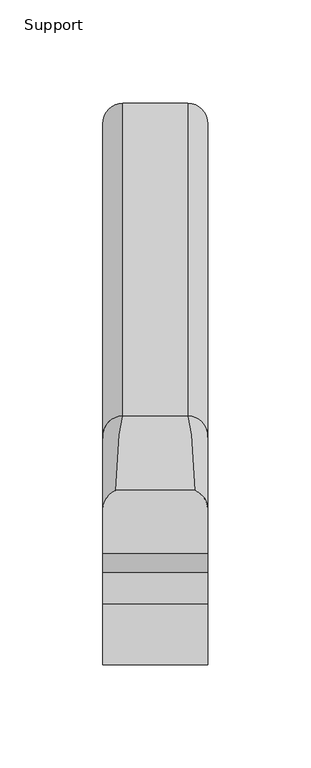
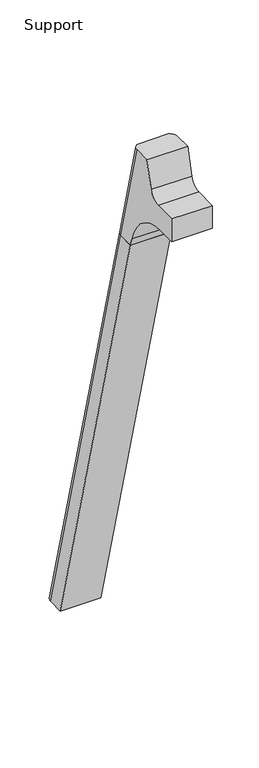
"""IFC4 building model written with IfcOpenShell, lengths in millimetres: furniture geometry, Support."""

from ifc_helpers import new_model, si_unit, frame, origin, place, context, project, spatial, polyline, circle_curve, ellipse_curve, source, transform, mapped, element, save
from ifc_brep_helpers import plane_surface, cylinder_surface, revolved_surface, advanced_brep


def support_90966090(model_context):
    return source(origin(), model_context, "Body", "AdvancedBrep", [
        advanced_brep(
        [(190.5, 253.7748053, 711.2), (190.5, 275.2413517, 711.2), (190.5, 310.6899953, 576.6820411), (190.5, 289.5860254, 576.6820411), (190.5, 287.0278133, 586.2294189), (190.5, 222.6247088, 635.6476591), (190.5, 199.7534766, 635.6476591), (190.5, 199.7534766, 665.6284599), (190.5, 229.382632, 665.6284599), (190.5, 244.7167045, 677.3947076), (241.3, 289.5860254, 576.6820411), (241.3, 310.6899953, 576.6820411), (241.3, 275.2413517, 711.2), (241.3, 253.7748053, 711.2), (241.3, 244.7167045, 677.3947076), (241.3, 229.382632, 665.6284599), (241.3, 199.7534766, 665.6284599), (241.3, 199.7534766, 635.6476591), (241.3, 222.6247088, 635.6476591), (241.3, 287.0278133, 586.2294189), (235.0361838, 284.4961962, 711.2), (196.7638162, 284.4961962, 711.2), (200.025, 320.5401747, 576.6820411), (231.775, 320.5401747, 576.6820411)],
        [
            (0, 1),
            (1, 2),
            (2, 3),
            (3, 4),
            (4, 5, circle_curve(frame((190.5, 222.6247088, 568.9726591), z_axis=(1.0, 0.0, 0.0), x_axis=(0.0, 1.0, 0.0)), 66.675)),
            (5, 6),
            (6, 7),
            (7, 8),
            (8, 9, circle_curve(frame((190.5, 229.382632, 681.5034599), z_axis=(1.0, 0.0, 0.0), x_axis=(0.0, 1.0, 0.0)), 15.875)),
            (9, 0),
            (10, 11),
            (11, 12),
            (12, 13),
            (13, 14),
            (14, 15, circle_curve(frame((241.3, 229.382632, 681.5034599), z_axis=(-1.0, 0.0, 0.0), x_axis=(0.0, 1.0, 0.0)), 15.875)),
            (15, 16),
            (16, 17),
            (17, 18),
            (18, 19, circle_curve(frame((241.3, 222.6247088, 568.9726591), z_axis=(-1.0, 0.0, 0.0), x_axis=(0.0, 1.0, 0.0)), 66.675)),
            (19, 10),
            (12, 20, ellipse_curve(frame((231.775, 275.2413517, 711.2), z_axis=(0.0, 0.0, 1.0), x_axis=(0.0, 1.0, 0.0)), 9.8501793, 9.525)),
            (20, 21),
            (21, 1, ellipse_curve(frame((200.025, 275.2413517, 711.2), z_axis=(0.0, 0.0, 1.0), x_axis=(0.0, 1.0, 0.0)), 9.8501793, 9.525)),
            (0, 13),
            (9, 14),
            (8, 15),
            (7, 16),
            (6, 17),
            (5, 18),
            (4, 19),
            (3, 10),
            (2, 22, ellipse_curve(frame((200.025, 310.6899953, 576.6820411), z_axis=(0.0, 0.0, -1.0), x_axis=(0.0, 1.0, 0.0)), 9.8501793, 9.525)),
            (22, 23),
            (23, 11, ellipse_curve(frame((231.775, 310.6899953, 576.6820411), z_axis=(0.0, 0.0, -1.0), x_axis=(0.0, 1.0, 0.0)), 9.8501793, 9.525)),
            (20, 23, ellipse_curve(frame((231.775, -275.8295394, 2802.3641142), z_axis=(0.0, 0.9659258262890684, 0.2588190451025206), x_axis=(0.0, 0.2588190451025206, -0.9659258262890684)), 2304.1956354, 9.525)),
            (22, 21, ellipse_curve(frame((200.025, -275.8295394, 2802.3641142), z_axis=(0.0, 0.9659258262890684, 0.2588190451025206), x_axis=(0.0, 0.2588190451025206, -0.9659258262890684)), 2304.1956354, 9.525)),
        ],
        [
            plane_surface(frame((190.5, 284.4961962, 711.2), z_axis=(-1.0, 0.0, 0.0), x_axis=(0.0, -1.0, 0.0))),
            plane_surface(frame((241.3, 284.4961962, 711.2), z_axis=(1.0, 0.0, 0.0), x_axis=(0.0, 1.0, 0.0))),
            plane_surface(frame((190.5, 284.4961962, 711.2), z_axis=(0.0, 0.0, 1.0), x_axis=(1.0, 0.0, 0.0))),
            plane_surface(frame((190.5, 253.7748053, 711.2), z_axis=(0.0, -0.9659258262890683, 0.2588190451025207), x_axis=(1.0, 0.0, 0.0))),
            revolved_surface(polyline([(241.3, 245.257632, 681.5034599), (190.5, 245.257632, 681.5034599)]), (241.3, 229.382632, 681.5034599), (1.0, 0.0, 0.0)),
            plane_surface(frame((190.5, 229.382632, 665.6284599), z_axis=(0.0, 0.0, 1.0), x_axis=(1.0, 0.0, 0.0))),
            plane_surface(frame((190.5, 199.7534766, 665.6284599), z_axis=(0.0, -1.0, 0.0), x_axis=(1.0, 0.0, 0.0))),
            plane_surface(frame((190.5, 199.7534766, 635.6476591), z_axis=(0.0, 0.0, -1.0), x_axis=(1.0, 0.0, 0.0))),
            revolved_surface(polyline([(241.3, 289.2997088, 568.9726591), (190.5, 289.2997088, 568.9726591)]), (241.3, 222.6247088, 568.9726591), (1.0, 0.0, 0.0)),
            plane_surface(frame((190.5, 287.0278133, 586.2294189), z_axis=(0.0, -0.9659258262890693, -0.25881904510251696), x_axis=(1.0, 0.0, 0.0))),
            plane_surface(frame((190.5, 289.5860254, 576.6820411), z_axis=(0.0, 0.0, -1.0), x_axis=(1.0, 0.0, 0.0))),
            plane_surface(frame((190.5, 320.5401747, 576.6820411), z_axis=(0.0, 0.9659258262890684, 0.2588190451025206), x_axis=(1.0, 0.0, 0.0))),
            cylinder_surface(frame((200.025, 463.2988902, -2.4271979), z_axis=(0.0, 0.25482392474081483, -0.966987470125486), x_axis=(1.0, 0.0, 0.0)), 9.525),
            cylinder_surface(frame((231.775, 463.2988902, -2.4271979), z_axis=(0.0, 0.25482392474081483, -0.966987470125486), x_axis=(1.0, 0.0, 0.0)), 9.525),
        ],
        [
            (0, [[1, 2, 3, 4, 5, 6, 7, 8, 9, 10]]),
            (1, [[11, 12, 13, 14, 15, 16, 17, 18, 19, 20]]),
            (2, [[-13, 21, 22, 23, -1, 24]]),
            (3, [[25, -14, -24, -10]]),
            (4, [[26, -15, -25, -9]]),
            (5, [[27, -16, -26, -8]]),
            (6, [[28, -17, -27, -7]]),
            (7, [[29, -18, -28, -6]]),
            (8, [[30, -19, -29, -5]]),
            (9, [[31, -20, -30, -4]]),
            (10, [[-3, 32, 33, 34, -11, -31]]),
            (11, [[35, -33, 36, -22]]),
            (12, [[-23, -36, -32, -2]]),
            (13, [[-34, -35, -21, -12]]),
        ],
    ),
        advanced_brep(
        [(190.5, 289.5860254, 576.6820411), (190.5, 310.6899953, 576.6820411), (190.5, 462.6592665, 0.0), (190.5, 441.5552966, 0.0), (241.3, 441.5552966, 0.0), (241.3, 462.6592665, 0.0), (241.3, 310.6899953, 576.6820411), (241.3, 289.5860254, 576.6820411), (231.775, 320.5401747, 576.6820411), (200.025, 320.5401747, 576.6820411), (200.025, 472.5094458, 0.0), (231.775, 472.5094458, 0.0)],
        [
            (0, 1),
            (1, 2),
            (2, 3),
            (3, 0),
            (4, 5),
            (5, 6),
            (6, 7),
            (7, 4),
            (6, 8, ellipse_curve(frame((231.775, 310.6899953, 576.6820411), z_axis=(0.0, 0.0, 1.0), x_axis=(0.0, 1.0, 0.0)), 9.8501793, 9.525)),
            (8, 9),
            (9, 1, ellipse_curve(frame((200.025, 310.6899953, 576.6820411), z_axis=(0.0, 0.0, 1.0), x_axis=(0.0, 1.0, 0.0)), 9.8501793, 9.525)),
            (0, 7),
            (3, 4),
            (2, 10, ellipse_curve(frame((200.025, 462.6592665, 0.0), z_axis=(0.0, 0.0, -1.0), x_axis=(0.0, 1.0, 0.0)), 9.8501793, 9.525)),
            (10, 11),
            (11, 5, ellipse_curve(frame((231.775, 462.6592665, 0.0), z_axis=(0.0, 0.0, -1.0), x_axis=(0.0, 1.0, 0.0)), 9.8501793, 9.525)),
            (8, 11),
            (10, 9),
        ],
        [
            plane_surface(frame((190.5, 320.5401747, 576.6820411), z_axis=(-1.0, 0.0, 0.0), x_axis=(0.0, -1.0, 0.0))),
            plane_surface(frame((241.3, 320.5401747, 576.6820411), z_axis=(1.0, 0.0, 0.0), x_axis=(0.0, 1.0, 0.0))),
            plane_surface(frame((190.5, 320.5401747, 576.6820411), z_axis=(0.0, 0.0, 1.0), x_axis=(1.0, 0.0, 0.0))),
            plane_surface(frame((190.5, 289.5860254, 576.6820411), z_axis=(0.0, -0.9669874701254844, -0.2548239247408208), x_axis=(1.0, 0.0, 0.0))),
            plane_surface(frame((190.5, 441.5552966, 0.0), z_axis=(0.0, 0.0, -1.0), x_axis=(1.0, 0.0, 0.0))),
            plane_surface(frame((190.5, 472.5094458, 0.0), z_axis=(0.0, 0.9669874701254855, 0.2548239247408166), x_axis=(1.0, 0.0, 0.0))),
            cylinder_surface(frame((200.025, 463.2988902, -2.4271979), z_axis=(0.0, 0.25482392474081483, -0.966987470125486), x_axis=(1.0, 0.0, 0.0)), 9.525),
            cylinder_surface(frame((231.775, 463.2988902, -2.4271979), z_axis=(0.0, 0.25482392474081483, -0.966987470125486), x_axis=(1.0, 0.0, 0.0)), 9.525),
        ],
        [
            (0, [[1, 2, 3, 4]]),
            (1, [[5, 6, 7, 8]]),
            (2, [[-7, 9, 10, 11, -1, 12]]),
            (3, [[13, -8, -12, -4]]),
            (4, [[-3, 14, 15, 16, -5, -13]]),
            (5, [[17, -15, 18, -10]]),
            (6, [[-11, -18, -14, -2]]),
            (7, [[-16, -17, -9, -6]]),
        ],
    ),
    ])


if __name__ == "__main__":
    model = new_model("IFC4")
    model_context = context("Model", 3, world=origin())
    ifc_project = project(units=[si_unit("LENGTHUNIT", "METRE", prefix="MILLI")], contexts=[model_context])
    site = spatial("IfcSite", under=ifc_project)
    building = spatial("IfcBuilding", under=site)
    placement = place(None, origin())
    support_shape = support_90966090(model_context)
    element("IfcFurniture", 1, ObjectType="Support", at=placement, inside=building, context=model_context, shape_type="MappedRepresentation", body=[
        mapped(support_shape, transform((0.0, 0.0, 0.0), x_axis=(1.0, 0.0, 0.0), y_axis=(0.0, 1.0, 0.0), z_axis=(0.0, 0.0, 1.0))),
    ])
    save(model, "model.ifc")
